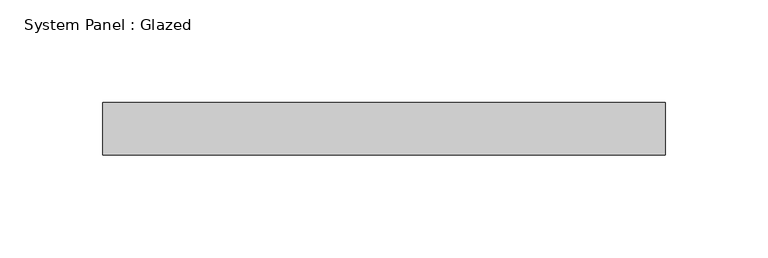
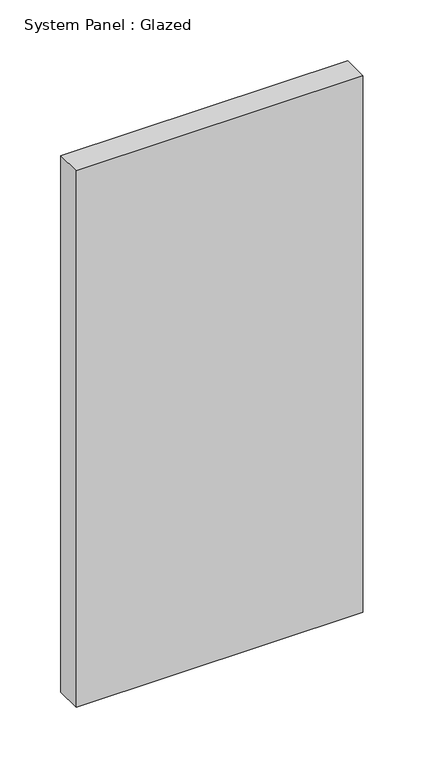
"""IFC4 building model written with IfcOpenShell, lengths in millimetres: plate geometry, System Panel : Glazed."""

import ifcopenshell
import ifcopenshell.guid

model = None  # the IFC model being written
_history = None  # IfcOwnerHistory: only IFC2X3 demands one
_inside = {}  # id of a spatial element -> (the spatial element, [elements in it])
_under = {}  # id of a project, library or spatial element -> (it, [spatial elements below it])
_declared = {}  # id of a project -> (the project, [libraries it declares])
_typed = {}  # id of a type object -> (the type object, [elements of that type])
_made_of = {}  # id of a material, layer set ... -> (it, [elements and type objects made of it])


def new_model(schema):
    """Start an empty IFC model of exactly this schema.

    Asked for "IFC4X3", IfcOpenShell would pick the latest addendum, in which some entities
    have other attributes; the version numbers below select the first issue.
    IFC2X3 requires an IfcOwnerHistory on every rooted entity: one is made here for all.
    """
    global model, _history
    if schema == "IFC4X3":
        model = ifcopenshell.file(schema_version=(4, 3, 0, 0))
    else:
        model = ifcopenshell.file(schema=schema)
    _inside.clear()
    _under.clear()
    _declared.clear()
    _typed.clear()
    _made_of.clear()
    _history = None
    if model.schema == "IFC2X3":
        org = make("IfcOrganization", Name="unknown")
        user = make(
            "IfcPersonAndOrganization",
            ThePerson=make("IfcPerson", FamilyName="unknown"),
            TheOrganization=org,
        )
        app = make(
            "IfcApplication",
            ApplicationDeveloper=org,
            Version="unknown",
            ApplicationFullName="unknown",
            ApplicationIdentifier="unknown",
        )
        _history = make(
            "IfcOwnerHistory",
            OwningUser=user,
            OwningApplication=app,
            ChangeAction="ADDED",
            CreationDate=0,
        )
    return model


def make(cls, **values):
    """One entity of the class cls with the attributes given. An attribute that is None is left unset."""
    return model.create_entity(
        cls, **{name: value for name, value in values.items() if value is not None}
    )


def rooted(cls, **values):
    """An entity with a GlobalId (a new one), such as an element, a storey or a relation."""
    return make(cls, GlobalId=ifcopenshell.guid.new(), OwnerHistory=_history, **values)


def si_unit(unit_type, name, prefix=None):
    """IfcSIUnit, for example si_unit("LENGTHUNIT", "METRE", prefix="MILLI")."""
    return make("IfcSIUnit", UnitType=unit_type, Prefix=prefix, Name=name)


def assignment(units):
    """IfcUnitAssignment: the units of a project."""
    return None if units is None else make("IfcUnitAssignment", Units=units)


def point(xyz):
    """IfcCartesianPoint."""
    return None if xyz is None else make("IfcCartesianPoint", Coordinates=xyz)


def direction(xyz):
    """IfcDirection."""
    return None if xyz is None else make("IfcDirection", DirectionRatios=xyz)


def frame(location, z_axis=None, x_axis=None):
    """IfcAxis2Placement3D, a coordinate frame: its origin and axes. An axis left out is left unset."""
    return make(
        "IfcAxis2Placement3D",
        Location=point(location),
        Axis=direction(z_axis),
        RefDirection=direction(x_axis),
    )


def origin():
    """The frame at (0, 0, 0) with its axes left unset."""
    return frame((0.0, 0.0, 0.0))


def origin_with_axes():
    """The frame at (0, 0, 0) with the z axis (0, 0, 1) and the x axis (1, 0, 0) written out."""
    return frame((0.0, 0.0, 0.0), z_axis=(0.0, 0.0, 1.0), x_axis=(1.0, 0.0, 0.0))


def place(relative_to, where):
    """IfcLocalPlacement: puts the frame where relative to a parent placement (None: the world)."""
    return make(
        "IfcLocalPlacement", PlacementRelTo=relative_to, RelativePlacement=where
    )


def context(
    kind, dimensions, precision=None, world=None, true_north=None, identifier=None
):
    """IfcGeometricRepresentationContext, for example the 3D "Model" context."""
    return make(
        "IfcGeometricRepresentationContext",
        ContextIdentifier=identifier,
        ContextType=kind,
        CoordinateSpaceDimension=dimensions,
        Precision=precision,
        WorldCoordinateSystem=world,
        TrueNorth=true_north,
    )


def project(units=None, contexts=None):
    """IfcProject with its units and contexts."""
    return rooted(
        "IfcProject",
        Name="project",
        RepresentationContexts=contexts,
        UnitsInContext=assignment(units),
    )


def spatial(cls, under=None, at=None, **own):
    """A site, building, storey or space (cls), placed at a placement, below another one or the project."""
    s = rooted(cls, ObjectPlacement=at, **own)
    if under is not None:
        _under.setdefault(under.id(), (under, []))[1].append(s)
    return s


def polyline(points):
    """IfcPolyline through the points."""
    return make("IfcPolyline", Points=[point(p) for p in points])


def outline(outer, holes=None, kind="AREA"):
    """IfcArbitraryClosedProfileDef: a profile drawn as a closed curve; with holes, ...WithVoids."""
    if holes is None:
        return make("IfcArbitraryClosedProfileDef", ProfileType=kind, OuterCurve=outer)
    return make(
        "IfcArbitraryProfileDefWithVoids",
        ProfileType=kind,
        OuterCurve=outer,
        InnerCurves=holes,
    )


def extrude(swept, where, along, depth):
    """IfcExtrudedAreaSolid: the profile swept, set in the frame where, extruded along a direction by depth."""
    return make(
        "IfcExtrudedAreaSolid",
        SweptArea=swept,
        Position=where,
        ExtrudedDirection=direction(along),
        Depth=depth,
    )


def shape(context_of_items, identifier, shape_type, items):
    """IfcShapeRepresentation: the items that make up one representation, for example the "Body"."""
    return make(
        "IfcShapeRepresentation",
        ContextOfItems=context_of_items,
        RepresentationIdentifier=identifier,
        RepresentationType=shape_type,
        Items=items,
    )


def source(mapping_origin, context_of_items, identifier, shape_type, items):
    """IfcRepresentationMap: a shape defined once, which mapped items show again and again."""
    return make(
        "IfcRepresentationMap",
        MappingOrigin=mapping_origin,
        MappedRepresentation=shape(context_of_items, identifier, shape_type, items),
    )


def transform(
    local_origin,
    x_axis=None,
    y_axis=None,
    z_axis=None,
    scale=None,
    scale2=None,
    scale3=None,
    uniform=True,
):
    """IfcCartesianTransformationOperator3D, or its non-uniform kind. x_axis, y_axis, z_axis: its Axis1, 2, 3."""
    if uniform:
        return make(
            "IfcCartesianTransformationOperator3D",
            Axis1=direction(x_axis),
            Axis2=direction(y_axis),
            LocalOrigin=point(local_origin),
            Scale=scale,
            Axis3=direction(z_axis),
        )
    return make(
        "IfcCartesianTransformationOperator3DnonUniform",
        Axis1=direction(x_axis),
        Axis2=direction(y_axis),
        LocalOrigin=point(local_origin),
        Scale=scale,
        Axis3=direction(z_axis),
        Scale2=scale2,
        Scale3=scale3,
    )


def mapped(mapping_source, mapping_target):
    """IfcMappedItem: shows the shape of a source again, moved by a transform."""
    return make(
        "IfcMappedItem", MappingSource=mapping_source, MappingTarget=mapping_target
    )


def made_of(thing, what):
    """Note that an element or type object is made of a material, layer set ...; save() writes the relation."""
    if what is not None:
        _made_of.setdefault(what.id(), (what, []))[1].append(thing)
    return thing


def element(
    cls,
    number,
    at=None,
    inside=None,
    cuts=None,
    type_object=None,
    material=None,
    context=None,
    identifier="Body",
    shape_type=None,
    held_by="IfcProductDefinitionShape",
    body=None,
    shapes=None,
    **own,
):
    """One element of the class cls, such as IfcWall. Its Tag is "e" and its number.

    at: its placement. inside: the storey or other place that contains it. cuts: it is an
    opening in that element (IfcRelVoidsElement). A single representation is given by context,
    identifier, shape_type and body (its items); several are given by shapes. held_by: the class
    of the entity that holds the representations. save() writes the other relations.
    """
    e = rooted(cls, Tag="e%d" % number, ObjectPlacement=at, **own)
    if body is not None:
        shapes = [shape(context, identifier, shape_type, body)]
    if shapes is not None:
        e.Representation = make(held_by, Representations=shapes)
    if inside is not None:
        _inside.setdefault(inside.id(), (inside, []))[1].append(e)
    if cuts is not None:
        rooted(
            "IfcRelVoidsElement", RelatingBuildingElement=cuts, RelatedOpeningElement=e
        )
    if type_object is not None:
        _typed.setdefault(type_object.id(), (type_object, []))[1].append(e)
    return made_of(e, material)


def aggregate(whole, parts):
    """IfcRelAggregates: a whole, such as a stair, and the parts it consists of."""
    return rooted("IfcRelAggregates", RelatingObject=whole, RelatedObjects=parts)


def save(model, path):
    """Write the relations noted so far, then the file.

    IfcRelAggregates (storeys below a building ...), IfcRelContainedInSpatialStructure (elements
    in a storey), IfcRelDefinesByType, IfcRelAssociatesMaterial and IfcRelDeclares: one each for
    every whole, place, type object, material and project.
    """
    for whole, parts in _under.values():
        aggregate(whole, parts)
    for where, things in _inside.values():
        rooted(
            "IfcRelContainedInSpatialStructure",
            RelatedElements=things,
            RelatingStructure=where,
        )
    for kind, things in _typed.values():
        rooted("IfcRelDefinesByType", RelatedObjects=things, RelatingType=kind)
    for what, things in _made_of.values():
        rooted("IfcRelAssociatesMaterial", RelatedObjects=things, RelatingMaterial=what)
    for by, libraries in _declared.values():
        rooted("IfcRelDeclares", RelatingContext=by, RelatedDefinitions=libraries)
    model.write(path)


def system_panel_glazed_860c3f86(model_context):
    return source(origin(), model_context, "Body", "SweptSolid", [
        extrude(outline(polyline([(136.525, -12.7), (-136.525, -12.7), (-136.525, 12.7), (136.525, 12.7), (136.525, -12.7)])), origin_with_axes(), (0.0, 0.0, 1.0), 539.75),
    ])


if __name__ == "__main__":
    model = new_model("IFC4")
    model_context = context("Model", 3, world=origin())
    ifc_project = project(units=[si_unit("LENGTHUNIT", "METRE", prefix="MILLI")], contexts=[model_context])
    site = spatial("IfcSite", under=ifc_project)
    building = spatial("IfcBuilding", under=site)
    placement = place(None, origin())
    system_panel_glazed_shape = system_panel_glazed_860c3f86(model_context)
    element("IfcPlate", 1, ObjectType="System Panel : Glazed", at=placement, inside=building, context=model_context, shape_type="MappedRepresentation", body=[
        mapped(system_panel_glazed_shape, transform((0.0, 0.0, 0.0), x_axis=(1.0, 0.0, 0.0), y_axis=(0.0, 1.0, 0.0), z_axis=(0.0, 0.0, 1.0))),
    ])
    save(model, "model.ifc")
